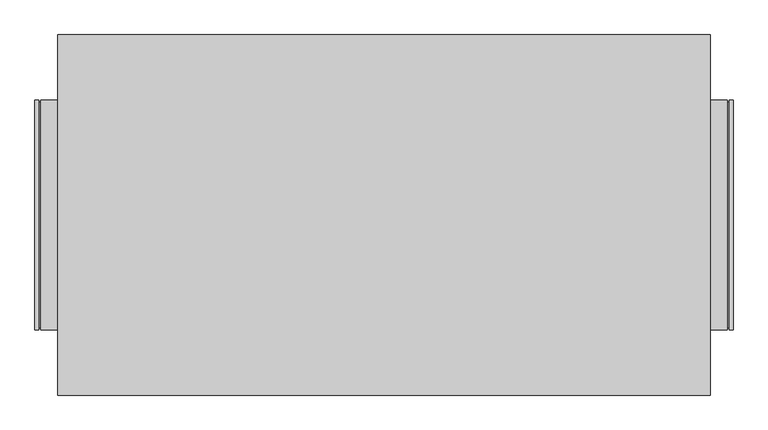
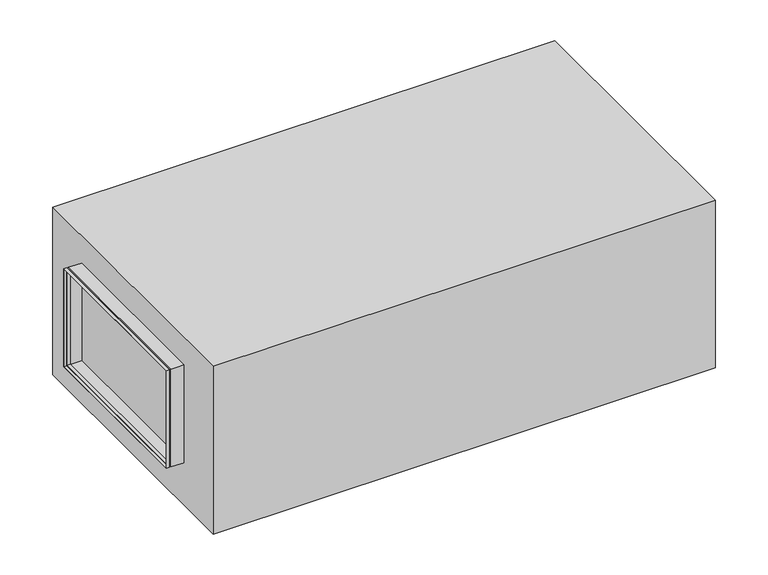
"""IFC4 building model written with IfcOpenShell, lengths in millimetres: proxy geometry."""

from ifc_helpers import new_model, si_unit, origin, origin_with_axes, place, context, project, spatial, polyline, outline, extrude, faceted_brep, source, transform, mapped, element, save


def mechanical_equipment_ea60ff37(model_context):
    return source(origin(), model_context, "Body", "SolidModel", [
        faceted_brep([(-900.0, -300.0, 503.0), (-910.0, -300.0, 503.0), (-910.0, -300.0, 153.0), (-900.0, -300.0, 153.0), (-895.0, -295.0, 498.0), (-900.0, -295.0, 498.0), (-900.0, -295.0, 158.0), (-895.0, -295.0, 158.0), (-850.0, -300.0, 503.0), (-895.0, -300.0, 503.0), (-895.0, -300.0, 153.0), (-850.0, -300.0, 153.0), (-893.0, -298.0, 501.0), (-850.0, -298.0, 501.0), (-850.0, -298.0, 155.0), (-893.0, -298.0, 155.0), (-902.0, -293.0, 496.0), (-893.0, -293.0, 496.0), (-893.0, -293.0, 160.0), (-902.0, -293.0, 160.0), (-910.0, -298.0, 501.0), (-902.0, -298.0, 501.0), (-902.0, -298.0, 155.0), (-910.0, -298.0, 155.0), (-910.0, 300.0, 153.0), (-900.0, 300.0, 153.0), (-900.0, 295.0, 158.0), (-895.0, 295.0, 158.0), (-895.0, 300.0, 153.0), (-850.0, 300.0, 153.0), (-850.0, 298.0, 155.0), (-893.0, 298.0, 155.0), (-893.0, 293.0, 160.0), (-902.0, 293.0, 160.0), (-902.0, 298.0, 155.0), (-910.0, 298.0, 155.0), (-910.0, 300.0, 503.0), (-900.0, 300.0, 503.0), (-900.0, 295.0, 498.0), (-895.0, 295.0, 498.0), (-895.0, 300.0, 503.0), (-850.0, 300.0, 503.0), (-850.0, 298.0, 501.0), (-893.0, 298.0, 501.0), (-893.0, 293.0, 496.0), (-902.0, 293.0, 496.0), (-902.0, 298.0, 501.0), (-910.0, 298.0, 501.0)], [[[0, 1, 2, 3]], [[4, 5, 6, 7]], [[8, 9, 10, 11]], [[12, 13, 14, 15]], [[16, 17, 18, 19]], [[20, 21, 22, 23]], [[3, 2, 24, 25]], [[7, 6, 26, 27]], [[11, 10, 28, 29]], [[15, 14, 30, 31]], [[19, 18, 32, 33]], [[23, 22, 34, 35]], [[25, 24, 36, 37]], [[27, 26, 38, 39]], [[29, 28, 40, 41]], [[31, 30, 42, 43]], [[33, 32, 44, 45]], [[35, 34, 46, 47]], [[37, 36, 1, 0]], [[3, 25, 37, 0], [5, 38, 26, 6]], [[39, 38, 5, 4]], [[9, 40, 28, 10], [7, 27, 39, 4]], [[41, 40, 9, 8]], [[11, 29, 41, 8], [13, 42, 30, 14]], [[43, 42, 13, 12]], [[15, 31, 43, 12], [17, 44, 32, 18]], [[45, 44, 17, 16]], [[21, 46, 34, 22], [19, 33, 45, 16]], [[47, 46, 21, 20]], [[1, 36, 24, 2], [23, 35, 47, 20]]]),
        faceted_brep([(900.0, 300.0, 503.0), (910.0, 300.0, 503.0), (910.0, 300.0, 153.0), (900.0, 300.0, 153.0), (895.0, 295.0, 498.0), (900.0, 295.0, 498.0), (900.0, 295.0, 158.0), (895.0, 295.0, 158.0), (850.0, 300.0, 503.0), (895.0, 300.0, 503.0), (895.0, 300.0, 153.0), (850.0, 300.0, 153.0), (893.0, 298.0, 501.0), (850.0, 298.0, 501.0), (850.0, 298.0, 155.0), (893.0, 298.0, 155.0), (902.0, 293.0, 496.0), (893.0, 293.0, 496.0), (893.0, 293.0, 160.0), (902.0, 293.0, 160.0), (910.0, 298.0, 501.0), (902.0, 298.0, 501.0), (902.0, 298.0, 155.0), (910.0, 298.0, 155.0), (910.0, -300.0, 153.0), (900.0, -300.0, 153.0), (900.0, -295.0, 158.0), (895.0, -295.0, 158.0), (895.0, -300.0, 153.0), (850.0, -300.0, 153.0), (850.0, -298.0, 155.0), (893.0, -298.0, 155.0), (893.0, -293.0, 160.0), (902.0, -293.0, 160.0), (902.0, -298.0, 155.0), (910.0, -298.0, 155.0), (910.0, -300.0, 503.0), (900.0, -300.0, 503.0), (900.0, -295.0, 498.0), (895.0, -295.0, 498.0), (895.0, -300.0, 503.0), (850.0, -300.0, 503.0), (850.0, -298.0, 501.0), (893.0, -298.0, 501.0), (893.0, -293.0, 496.0), (902.0, -293.0, 496.0), (902.0, -298.0, 501.0), (910.0, -298.0, 501.0)], [[[0, 1, 2, 3]], [[4, 5, 6, 7]], [[8, 9, 10, 11]], [[12, 13, 14, 15]], [[16, 17, 18, 19]], [[20, 21, 22, 23]], [[3, 2, 24, 25]], [[7, 6, 26, 27]], [[11, 10, 28, 29]], [[15, 14, 30, 31]], [[19, 18, 32, 33]], [[23, 22, 34, 35]], [[25, 24, 36, 37]], [[27, 26, 38, 39]], [[29, 28, 40, 41]], [[31, 30, 42, 43]], [[33, 32, 44, 45]], [[35, 34, 46, 47]], [[37, 36, 1, 0]], [[3, 25, 37, 0], [5, 38, 26, 6]], [[39, 38, 5, 4]], [[9, 40, 28, 10], [7, 27, 39, 4]], [[41, 40, 9, 8]], [[11, 29, 41, 8], [13, 42, 30, 14]], [[43, 42, 13, 12]], [[15, 31, 43, 12], [17, 44, 32, 18]], [[45, 44, 17, 16]], [[21, 46, 34, 22], [19, 33, 45, 16]], [[47, 46, 21, 20]], [[1, 36, 24, 2], [23, 35, 47, 20]]]),
        extrude(outline(polyline([(-850.0, -470.0), (-850.0, 470.0), (850.0, 470.0), (850.0, -470.0), (-850.0, -470.0)])), origin_with_axes(), (0.0, 0.0, 1.0), 600.0),
    ])


if __name__ == "__main__":
    model = new_model("IFC4")
    model_context = context("Model", 3, world=origin())
    ifc_project = project(units=[si_unit("LENGTHUNIT", "METRE", prefix="MILLI")], contexts=[model_context])
    site = spatial("IfcSite", under=ifc_project)
    building = spatial("IfcBuilding", under=site)
    placement = place(None, origin())
    mechanical_equipment_shape = mechanical_equipment_ea60ff37(model_context)
    element("IfcBuildingElementProxy", 1, Name="Mechanical Equipment", at=placement, inside=building, context=model_context, shape_type="MappedRepresentation", body=[
        mapped(mechanical_equipment_shape, transform((0.0, 0.0, 0.0), x_axis=(1.0, 0.0, 0.0), y_axis=(0.0, 1.0, 0.0), z_axis=(0.0, 0.0, 1.0))),
    ])
    save(model, "model.ifc")
